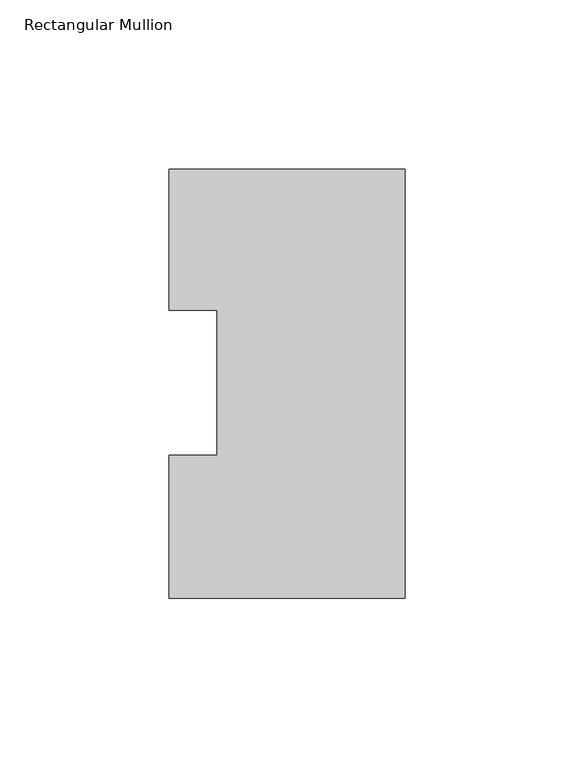
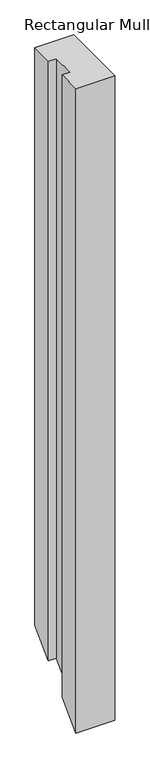
"""IFC4 building model written with IfcOpenShell, lengths in millimetres: member geometry, Rectangular Mullion."""

import ifcopenshell
import ifcopenshell.guid

model = None  # the IFC model being written
_history = None  # IfcOwnerHistory: only IFC2X3 demands one
_inside = {}  # id of a spatial element -> (the spatial element, [elements in it])
_under = {}  # id of a project, library or spatial element -> (it, [spatial elements below it])
_declared = {}  # id of a project -> (the project, [libraries it declares])
_typed = {}  # id of a type object -> (the type object, [elements of that type])
_made_of = {}  # id of a material, layer set ... -> (it, [elements and type objects made of it])


def new_model(schema):
    """Start an empty IFC model of exactly this schema.

    Asked for "IFC4X3", IfcOpenShell would pick the latest addendum, in which some entities
    have other attributes; the version numbers below select the first issue.
    IFC2X3 requires an IfcOwnerHistory on every rooted entity: one is made here for all.
    """
    global model, _history
    if schema == "IFC4X3":
        model = ifcopenshell.file(schema_version=(4, 3, 0, 0))
    else:
        model = ifcopenshell.file(schema=schema)
    _inside.clear()
    _under.clear()
    _declared.clear()
    _typed.clear()
    _made_of.clear()
    _history = None
    if model.schema == "IFC2X3":
        org = make("IfcOrganization", Name="unknown")
        user = make(
            "IfcPersonAndOrganization",
            ThePerson=make("IfcPerson", FamilyName="unknown"),
            TheOrganization=org,
        )
        app = make(
            "IfcApplication",
            ApplicationDeveloper=org,
            Version="unknown",
            ApplicationFullName="unknown",
            ApplicationIdentifier="unknown",
        )
        _history = make(
            "IfcOwnerHistory",
            OwningUser=user,
            OwningApplication=app,
            ChangeAction="ADDED",
            CreationDate=0,
        )
    return model


def make(cls, **values):
    """One entity of the class cls with the attributes given. An attribute that is None is left unset."""
    return model.create_entity(
        cls, **{name: value for name, value in values.items() if value is not None}
    )


def rooted(cls, **values):
    """An entity with a GlobalId (a new one), such as an element, a storey or a relation."""
    return make(cls, GlobalId=ifcopenshell.guid.new(), OwnerHistory=_history, **values)


def si_unit(unit_type, name, prefix=None):
    """IfcSIUnit, for example si_unit("LENGTHUNIT", "METRE", prefix="MILLI")."""
    return make("IfcSIUnit", UnitType=unit_type, Prefix=prefix, Name=name)


def assignment(units):
    """IfcUnitAssignment: the units of a project."""
    return None if units is None else make("IfcUnitAssignment", Units=units)


def point(xyz):
    """IfcCartesianPoint."""
    return None if xyz is None else make("IfcCartesianPoint", Coordinates=xyz)


def direction(xyz):
    """IfcDirection."""
    return None if xyz is None else make("IfcDirection", DirectionRatios=xyz)


def frame(location, z_axis=None, x_axis=None):
    """IfcAxis2Placement3D, a coordinate frame: its origin and axes. An axis left out is left unset."""
    return make(
        "IfcAxis2Placement3D",
        Location=point(location),
        Axis=direction(z_axis),
        RefDirection=direction(x_axis),
    )


def origin():
    """The frame at (0, 0, 0) with its axes left unset."""
    return frame((0.0, 0.0, 0.0))


def place(relative_to, where):
    """IfcLocalPlacement: puts the frame where relative to a parent placement (None: the world)."""
    return make(
        "IfcLocalPlacement", PlacementRelTo=relative_to, RelativePlacement=where
    )


def context(
    kind, dimensions, precision=None, world=None, true_north=None, identifier=None
):
    """IfcGeometricRepresentationContext, for example the 3D "Model" context."""
    return make(
        "IfcGeometricRepresentationContext",
        ContextIdentifier=identifier,
        ContextType=kind,
        CoordinateSpaceDimension=dimensions,
        Precision=precision,
        WorldCoordinateSystem=world,
        TrueNorth=true_north,
    )


def project(units=None, contexts=None):
    """IfcProject with its units and contexts."""
    return rooted(
        "IfcProject",
        Name="project",
        RepresentationContexts=contexts,
        UnitsInContext=assignment(units),
    )


def spatial(cls, under=None, at=None, **own):
    """A site, building, storey or space (cls), placed at a placement, below another one or the project."""
    s = rooted(cls, ObjectPlacement=at, **own)
    if under is not None:
        _under.setdefault(under.id(), (under, []))[1].append(s)
    return s


def faces_of(points, faces, orient=None, outer=None):
    """IfcFace entities. A face is a list of loops; a loop is a list of indices into points, from 0.

    orient and outer hold one flag for each loop. By default every Orientation is true, the
    first loop of a face is its IfcFaceOuterBound and the others are IfcFaceBound.
    """
    made = []
    for i, loops in enumerate(faces):
        bounds = []
        for j, loop in enumerate(loops):
            is_outer = j == 0 if outer is None else outer[i][j]
            bounds.append(
                make(
                    "IfcFaceOuterBound" if is_outer else "IfcFaceBound",
                    Bound=make("IfcPolyLoop", Polygon=[points[k] for k in loop]),
                    Orientation=True if orient is None else orient[i][j],
                )
            )
        made.append(make("IfcFace", Bounds=bounds))
    return made


def faceted_brep(points, faces, orient=None, outer=None, voids=None):
    """IfcFacetedBrep: a solid bounded by flat faces; with voids (closed shells), ...WithVoids."""
    shared = [point(p) for p in points]
    hull = make("IfcClosedShell", CfsFaces=faces_of(shared, faces, orient, outer))
    if voids is None:
        return make("IfcFacetedBrep", Outer=hull)
    return make(
        "IfcFacetedBrepWithVoids",
        Outer=hull,
        Voids=[
            make(cls, CfsFaces=faces_of(shared, fs, o, b)) for cls, fs, o, b in voids
        ],
    )


def shape(context_of_items, identifier, shape_type, items):
    """IfcShapeRepresentation: the items that make up one representation, for example the "Body"."""
    return make(
        "IfcShapeRepresentation",
        ContextOfItems=context_of_items,
        RepresentationIdentifier=identifier,
        RepresentationType=shape_type,
        Items=items,
    )


def source(mapping_origin, context_of_items, identifier, shape_type, items):
    """IfcRepresentationMap: a shape defined once, which mapped items show again and again."""
    return make(
        "IfcRepresentationMap",
        MappingOrigin=mapping_origin,
        MappedRepresentation=shape(context_of_items, identifier, shape_type, items),
    )


def transform(
    local_origin,
    x_axis=None,
    y_axis=None,
    z_axis=None,
    scale=None,
    scale2=None,
    scale3=None,
    uniform=True,
):
    """IfcCartesianTransformationOperator3D, or its non-uniform kind. x_axis, y_axis, z_axis: its Axis1, 2, 3."""
    if uniform:
        return make(
            "IfcCartesianTransformationOperator3D",
            Axis1=direction(x_axis),
            Axis2=direction(y_axis),
            LocalOrigin=point(local_origin),
            Scale=scale,
            Axis3=direction(z_axis),
        )
    return make(
        "IfcCartesianTransformationOperator3DnonUniform",
        Axis1=direction(x_axis),
        Axis2=direction(y_axis),
        LocalOrigin=point(local_origin),
        Scale=scale,
        Axis3=direction(z_axis),
        Scale2=scale2,
        Scale3=scale3,
    )


def mapped(mapping_source, mapping_target):
    """IfcMappedItem: shows the shape of a source again, moved by a transform."""
    return make(
        "IfcMappedItem", MappingSource=mapping_source, MappingTarget=mapping_target
    )


def made_of(thing, what):
    """Note that an element or type object is made of a material, layer set ...; save() writes the relation."""
    if what is not None:
        _made_of.setdefault(what.id(), (what, []))[1].append(thing)
    return thing


def element(
    cls,
    number,
    at=None,
    inside=None,
    cuts=None,
    type_object=None,
    material=None,
    context=None,
    identifier="Body",
    shape_type=None,
    held_by="IfcProductDefinitionShape",
    body=None,
    shapes=None,
    **own,
):
    """One element of the class cls, such as IfcWall. Its Tag is "e" and its number.

    at: its placement. inside: the storey or other place that contains it. cuts: it is an
    opening in that element (IfcRelVoidsElement). A single representation is given by context,
    identifier, shape_type and body (its items); several are given by shapes. held_by: the class
    of the entity that holds the representations. save() writes the other relations.
    """
    e = rooted(cls, Tag="e%d" % number, ObjectPlacement=at, **own)
    if body is not None:
        shapes = [shape(context, identifier, shape_type, body)]
    if shapes is not None:
        e.Representation = make(held_by, Representations=shapes)
    if inside is not None:
        _inside.setdefault(inside.id(), (inside, []))[1].append(e)
    if cuts is not None:
        rooted(
            "IfcRelVoidsElement", RelatingBuildingElement=cuts, RelatedOpeningElement=e
        )
    if type_object is not None:
        _typed.setdefault(type_object.id(), (type_object, []))[1].append(e)
    return made_of(e, material)


def aggregate(whole, parts):
    """IfcRelAggregates: a whole, such as a stair, and the parts it consists of."""
    return rooted("IfcRelAggregates", RelatingObject=whole, RelatedObjects=parts)


def save(model, path):
    """Write the relations noted so far, then the file.

    IfcRelAggregates (storeys below a building ...), IfcRelContainedInSpatialStructure (elements
    in a storey), IfcRelDefinesByType, IfcRelAssociatesMaterial and IfcRelDeclares: one each for
    every whole, place, type object, material and project.
    """
    for whole, parts in _under.values():
        aggregate(whole, parts)
    for where, things in _inside.values():
        rooted(
            "IfcRelContainedInSpatialStructure",
            RelatedElements=things,
            RelatingStructure=where,
        )
    for kind, things in _typed.values():
        rooted("IfcRelDefinesByType", RelatedObjects=things, RelatingType=kind)
    for what, things in _made_of.values():
        rooted("IfcRelAssociatesMaterial", RelatedObjects=things, RelatingMaterial=what)
    for by, libraries in _declared.values():
        rooted("IfcRelDeclares", RelatingContext=by, RelatedDefinitions=libraries)
    model.write(path)


def rectangular_mullion_319d65f1(model_context):
    return source(origin(), model_context, "Body", "Brep", [
        faceted_brep([(-69.8489149, -0.0111125, 0.0), (0.0, -0.0111125, 0.0), (0.0, 126.9888875, 0.0), (-69.8489149, 126.9888875, 0.0), (-69.8489149, 85.1296875, 0.0), (-55.5639549, 85.1296875, 0.0), (-55.5639549, 42.2798875, 0.0), (-69.8489149, 42.2798875, 0.0), (-69.8489149, -0.0111125, -1219.2087312), (0.0, -0.0111125, -1219.2087312), (0.0, 126.9888875, -1092.2087312), (-69.8489149, 126.9888875, -1092.2087312), (-69.8489149, 85.1296875, -1134.0679312), (-55.5639549, 85.1296875, -1134.0679312), (-55.5639549, 42.2798875, -1176.9177312), (-69.8489149, 42.2798875, -1176.9177312)], [[[0, 1, 2, 3, 4, 5, 6, 7]], [[1, 0, 8, 9]], [[2, 1, 9, 10]], [[3, 2, 10, 11]], [[4, 3, 11, 12]], [[5, 4, 12, 13]], [[6, 5, 13, 14]], [[7, 6, 14, 15]], [[0, 7, 15, 8]], [[8, 15, 14, 13, 12, 11, 10, 9]]]),
    ])


if __name__ == "__main__":
    model = new_model("IFC4")
    model_context = context("Model", 3, world=origin())
    ifc_project = project(units=[si_unit("LENGTHUNIT", "METRE", prefix="MILLI")], contexts=[model_context])
    site = spatial("IfcSite", under=ifc_project)
    building = spatial("IfcBuilding", under=site)
    placement = place(None, origin())
    rectangular_mullion_shape = rectangular_mullion_319d65f1(model_context)
    element("IfcMember", 1, ObjectType="Rectangular Mullion", at=placement, inside=building, context=model_context, shape_type="MappedRepresentation", body=[
        mapped(rectangular_mullion_shape, transform((0.0, 0.0, 0.0), x_axis=(1.0, 0.0, 0.0), y_axis=(0.0, 1.0, 0.0), z_axis=(0.0, 0.0, 1.0))),
    ])
    save(model, "model.ifc")
